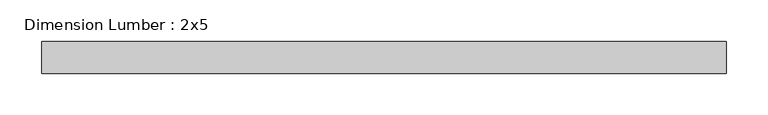
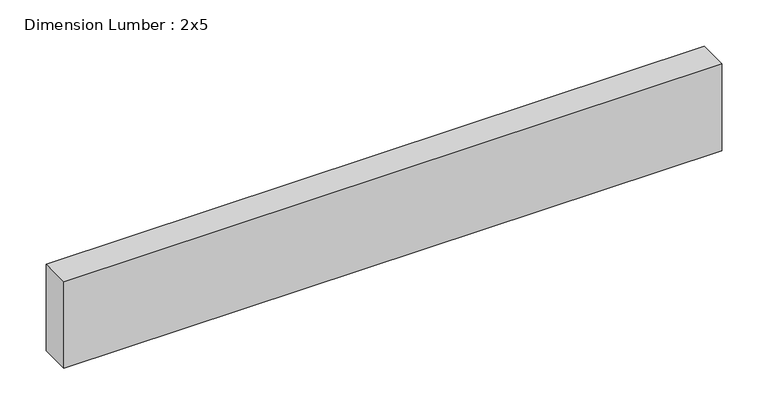
"""IFC4 building model written with IfcOpenShell, lengths in millimetres: beam geometry, Dimension Lumber : 2x5."""

from ifc_helpers import new_model, si_unit, frame, origin, place, context, project, spatial, polyline, outline, extrude, source, transform, mapped, element, save


def dimension_lumber_2x5_37947432(model_context):
    return source(origin(), model_context, "Body", "SweptSolid", [
        extrude(outline(polyline([(409.943487, 19.05), (409.943487, -19.05), (-409.943487, -19.05), (-409.943487, 19.05), (409.943487, 19.05)])), frame((0.0, 0.0, -57.15), z_axis=(0.0, 0.0, 1.0), x_axis=(1.0, 0.0, 0.0)), (0.0, 0.0, 1.0), 114.3),
    ])


if __name__ == "__main__":
    model = new_model("IFC4")
    model_context = context("Model", 3, world=origin())
    ifc_project = project(units=[si_unit("LENGTHUNIT", "METRE", prefix="MILLI")], contexts=[model_context])
    site = spatial("IfcSite", under=ifc_project)
    building = spatial("IfcBuilding", under=site)
    placement = place(None, origin())
    dimension_lumber_2x5_shape = dimension_lumber_2x5_37947432(model_context)
    element("IfcBeam", 1, ObjectType="Dimension Lumber : 2x5", at=placement, inside=building, context=model_context, shape_type="MappedRepresentation", body=[
        mapped(dimension_lumber_2x5_shape, transform((0.0, 0.0, 0.0), x_axis=(1.0, 0.0, 0.0), y_axis=(0.0, 1.0, 0.0), z_axis=(0.0, 0.0, 1.0))),
    ])
    save(model, "model.ifc")
